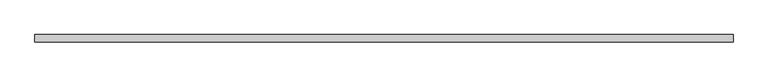
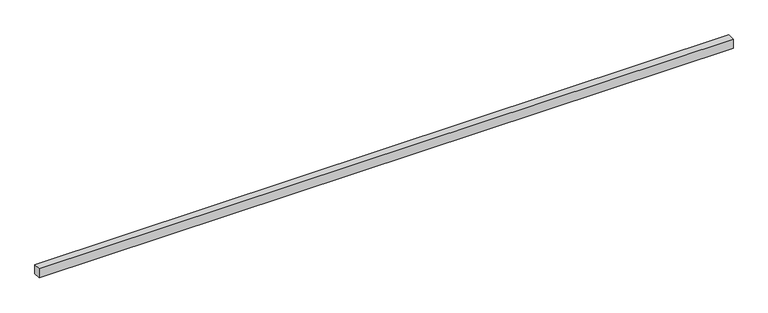
"""IFC4 building model written with IfcOpenShell, lengths in millimetres: proxy geometry."""

from ifc_helpers import new_model, si_unit, origin, origin_with_axes, place, context, project, spatial, polyline, outline, extrude, source, transform, mapped, element, save


def generic_models_ef502fd6(model_context):
    return source(origin(), model_context, "Body", "SweptSolid", [
        extrude(outline(polyline([(7400.0, -40.0), (0.0, -40.0), (0.0, 40.0), (7400.0, 40.0), (7400.0, -40.0)])), origin_with_axes(), (0.0, 0.0, 1.0), 100.0),
    ])


if __name__ == "__main__":
    model = new_model("IFC4")
    model_context = context("Model", 3, world=origin())
    ifc_project = project(units=[si_unit("LENGTHUNIT", "METRE", prefix="MILLI")], contexts=[model_context])
    site = spatial("IfcSite", under=ifc_project)
    building = spatial("IfcBuilding", under=site)
    placement = place(None, origin())
    generic_models_shape = generic_models_ef502fd6(model_context)
    element("IfcBuildingElementProxy", 1, Name="Generic Models", at=placement, inside=building, context=model_context, shape_type="MappedRepresentation", body=[
        mapped(generic_models_shape, transform((0.0, 0.0, 0.0), x_axis=(1.0, 0.0, 0.0), y_axis=(0.0, 1.0, 0.0), z_axis=(0.0, 0.0, 1.0))),
    ])
    save(model, "model.ifc")
